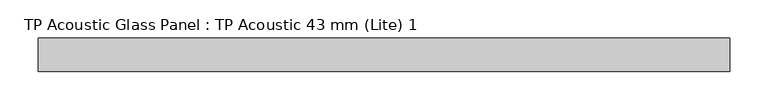
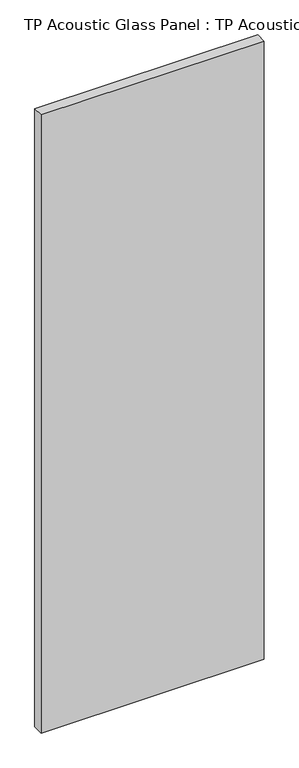
"""IFC4 building model written with IfcOpenShell, lengths in millimetres: plate geometry, TP Acoustic Glass Panel : TP Acoustic 43 mm (Lite) 1."""

from ifc_helpers import new_model, si_unit, origin, origin_with_axes, place, context, project, spatial, polyline, outline, extrude, source, transform, mapped, element, save


def tp_acoustic_glass_panel_tp_acoustic_43_mm_lite_1_f7f002d1(model_context):
    return source(origin(), model_context, "Body", "SweptSolid", [
        extrude(outline(polyline([(448.75, -21.5), (-448.75, -21.5), (-448.75, 21.5), (448.75, 21.5), (448.75, -21.5)])), origin_with_axes(), (0.0, 0.0, 1.0), 2628.0),
    ])


if __name__ == "__main__":
    model = new_model("IFC4")
    model_context = context("Model", 3, world=origin())
    ifc_project = project(units=[si_unit("LENGTHUNIT", "METRE", prefix="MILLI")], contexts=[model_context])
    site = spatial("IfcSite", under=ifc_project)
    building = spatial("IfcBuilding", under=site)
    placement = place(None, origin())
    tp_acoustic_glass_panel_tp_acoustic_43_mm_lite_1_shape = tp_acoustic_glass_panel_tp_acoustic_43_mm_lite_1_f7f002d1(model_context)
    element("IfcPlate", 1, ObjectType="TP Acoustic Glass Panel : TP Acoustic 43 mm (Lite) 1", at=placement, inside=building, context=model_context, shape_type="MappedRepresentation", body=[
        mapped(tp_acoustic_glass_panel_tp_acoustic_43_mm_lite_1_shape, transform((0.0, 0.0, 0.0), x_axis=(1.0, 0.0, 0.0), y_axis=(0.0, 1.0, 0.0), z_axis=(0.0, 0.0, 1.0))),
    ])
    save(model, "model.ifc")
